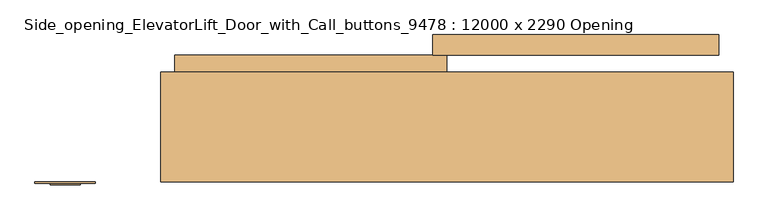
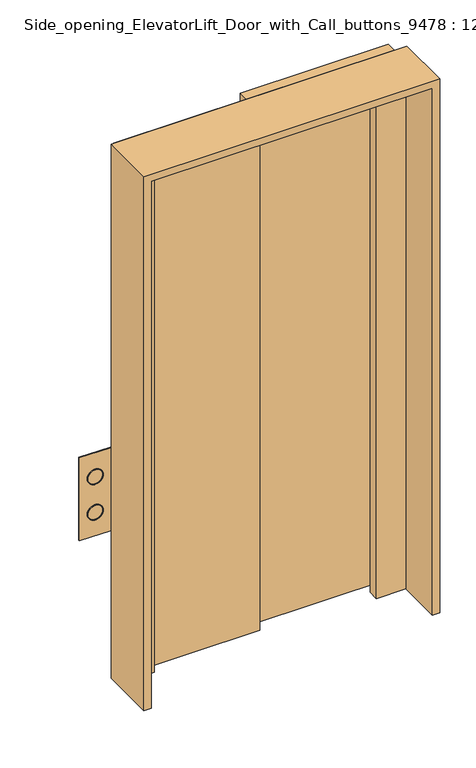
"""IFC4 building model written with IfcOpenShell, lengths in millimetres: door geometry, Side_opening_ElevatorLift_Door_with_Call_buttons_9478 : 12000 x 2290 Opening."""

from ifc_helpers import new_model, si_unit, point, frame, frame_2d, origin, origin_with_axes, place, context, project, spatial, polyline, circle_curve, trimmed, segment, composite_curve, outline, extrude, faceted_brep, source, transform, mapped, element, save
from ifc_brep_helpers import plane_surface, cylinder_surface, revolved_surface, advanced_brep


def side_opening_elevatorlift_door_with_call_buttons_9478_12000_3f8fabd1(model_context):
    return source(origin(), model_context, "Body", "SolidModel", [
        advanced_brep(
        [(-831.75, -103.1875, 1076.2), (-768.25, -103.1875, 1076.2), (-830.1625, -103.1875, 1076.2), (-769.8375, -103.1875, 1076.2), (-736.5, -96.8375, 1177.8), (-736.5, -96.8375, 822.2), (-863.5, -96.8375, 822.2), (-863.5, -96.8375, 1177.8), (-831.75, -100.0125, 1076.2), (-768.25, -100.0125, 1076.2), (-830.1625, -100.0125, 1076.2), (-769.8375, -100.0125, 1076.2), (-736.5, -100.0125, 1177.8), (-863.5, -100.0125, 1177.8), (-863.5, -100.0125, 822.2), (-736.5, -100.0125, 822.2), (-768.25, -100.0125, 923.8), (-831.75, -100.0125, 923.8), (-769.8375, -100.0125, 923.8), (-830.1625, -100.0125, 923.8), (-831.75, -103.1875, 923.8), (-768.25, -103.1875, 923.8), (-830.1625, -103.1875, 923.8), (-769.8375, -103.1875, 923.8)],
        [
            (0, 1, circle_curve(frame((-800.0, -103.1875, 1076.2), z_axis=(0.0, -1.0, 0.0), x_axis=(1.0, 0.0, 0.0)), 31.75)),
            (1, 0, circle_curve(frame((-800.0, -103.1875, 1076.2), z_axis=(0.0, -1.0, 0.0), x_axis=(1.0, 0.0, 0.0)), 31.75)),
            (2, 3, circle_curve(frame((-800.0, -103.1875, 1076.2), z_axis=(0.0, 1.0, 0.0), x_axis=(1.0, 0.0, 0.0)), 30.1625)),
            (3, 2, circle_curve(frame((-800.0, -103.1875, 1076.2), z_axis=(0.0, 1.0, 0.0), x_axis=(1.0, 0.0, 0.0)), 30.1625)),
            (4, 5),
            (5, 6),
            (6, 7),
            (7, 4),
            (0, 8),
            (8, 9, circle_curve(frame((-800.0, -100.0125, 1076.2), z_axis=(0.0, -1.0, 0.0), x_axis=(1.0, 0.0, 0.0)), 31.75)),
            (9, 1),
            (9, 8, circle_curve(frame((-800.0, -100.0125, 1076.2), z_axis=(0.0, -1.0, 0.0), x_axis=(1.0, 0.0, 0.0)), 31.75)),
            (2, 10),
            (10, 11, circle_curve(frame((-800.0, -100.0125, 1076.2), z_axis=(0.0, 1.0, 0.0), x_axis=(1.0, 0.0, 0.0)), 30.1625)),
            (11, 3),
            (11, 10, circle_curve(frame((-800.0, -100.0125, 1076.2), z_axis=(0.0, 1.0, 0.0), x_axis=(1.0, 0.0, 0.0)), 30.1625)),
            (12, 13),
            (13, 14),
            (14, 15),
            (15, 12),
            (16, 17, circle_curve(frame((-800.0, -100.0125, 923.8), z_axis=(0.0, 1.0, 0.0), x_axis=(1.0, 0.0, 0.0)), 31.75)),
            (17, 16, circle_curve(frame((-800.0, -100.0125, 923.8), z_axis=(0.0, 1.0, 0.0), x_axis=(1.0, 0.0, 0.0)), 31.75)),
            (18, 19, circle_curve(frame((-800.0, -100.0125, 923.8), z_axis=(0.0, -1.0, 0.0), x_axis=(1.0, 0.0, 0.0)), 30.1625)),
            (19, 18, circle_curve(frame((-800.0, -100.0125, 923.8), z_axis=(0.0, -1.0, 0.0), x_axis=(1.0, 0.0, 0.0)), 30.1625)),
            (12, 4),
            (7, 13),
            (6, 14),
            (5, 15),
            (20, 21, circle_curve(frame((-800.0, -103.1875, 923.8), z_axis=(0.0, -1.0, 0.0), x_axis=(1.0, 0.0, 0.0)), 31.75)),
            (21, 20, circle_curve(frame((-800.0, -103.1875, 923.8), z_axis=(0.0, -1.0, 0.0), x_axis=(1.0, 0.0, 0.0)), 31.75)),
            (22, 23, circle_curve(frame((-800.0, -103.1875, 923.8), z_axis=(0.0, 1.0, 0.0), x_axis=(1.0, 0.0, 0.0)), 30.1625)),
            (23, 22, circle_curve(frame((-800.0, -103.1875, 923.8), z_axis=(0.0, 1.0, 0.0), x_axis=(1.0, 0.0, 0.0)), 30.1625)),
            (20, 17),
            (16, 21),
            (22, 19),
            (18, 23),
        ],
        [
            plane_surface(frame((-768.25, -103.1875, 1076.2), z_axis=(0.0, -1.0, 0.0), x_axis=(0.0, 0.0, 1.0))),
            plane_surface(frame((-768.25, -96.8375, 1076.2), z_axis=(0.0, 1.0, 0.0), x_axis=(0.0, 0.0, -1.0))),
            cylinder_surface(frame((-800.0, -96.8375, 1076.2), z_axis=(0.0, -1.0, 0.0), x_axis=(1.0, 0.0, 0.0)), 31.75),
            revolved_surface(polyline([(-769.8375, -100.0125, 1076.2), (-769.8375, -103.1875, 1076.2)]), (-800.0, -96.8375, 1076.2), (0.0, 1.0, 0.0)),
            plane_surface(frame((-863.5, -100.0125, 1177.8), z_axis=(0.0, -1.0, 0.0), x_axis=(-1.0, 0.0, 0.0))),
            plane_surface(frame((-736.5, -100.0125, 1177.8), z_axis=(0.0, 0.0, 1.0), x_axis=(0.0, 1.0, 0.0))),
            plane_surface(frame((-863.5, -100.0125, 1177.8), z_axis=(-1.0, 0.0, 0.0), x_axis=(0.0, 1.0, 0.0))),
            plane_surface(frame((-863.5, -100.0125, 822.2), z_axis=(0.0, 0.0, -1.0), x_axis=(0.0, 1.0, 0.0))),
            plane_surface(frame((-736.5, -100.0125, 822.2), z_axis=(1.0, 0.0, 0.0), x_axis=(0.0, 1.0, 0.0))),
            plane_surface(frame((-768.25, -103.1875, 923.8), z_axis=(0.0, -1.0, 0.0), x_axis=(0.0, 0.0, 1.0))),
            cylinder_surface(frame((-800.0, -96.8375, 923.8), z_axis=(0.0, -1.0, 0.0), x_axis=(1.0, 0.0, 0.0)), 31.75),
            revolved_surface(polyline([(-769.8375, -100.0125, 923.8), (-769.8375, -103.1875, 923.8)]), (-800.0, -96.8375, 923.8), (0.0, 1.0, 0.0)),
        ],
        [
            (0, [[1, 2], [3, 4]]),
            (1, [[5, 6, 7, 8]]),
            (2, [[-1, 9, 10, 11]]),
            (2, [[-2, -11, 12, -9]]),
            (3, [[-3, 13, 14, 15]]),
            (3, [[-4, -15, 16, -13]]),
            (4, [[-14, -16]]),
            (4, [[17, 18, 19, 20], [-10, -12], [21, 22]]),
            (4, [[23, 24]]),
            (5, [[-17, 25, -8, 26]]),
            (6, [[-18, -26, -7, 27]]),
            (7, [[-19, -27, -6, 28]]),
            (8, [[-20, -28, -5, -25]]),
            (9, [[29, 30], [31, 32]]),
            (10, [[-29, 33, -21, 34]]),
            (10, [[-30, -34, -22, -33]]),
            (11, [[-31, 35, -23, 36]]),
            (11, [[-32, -36, -24, -35]]),
        ],
    ),
        extrude(outline(composite_curve([segment(trimmed(circle_curve(frame_2d((1076.2, -800.0)), 30.1625), [point((1076.2, -830.1625))], [point((1076.2, -769.8375))], False, "CARTESIAN"), True, "CONTINUOUS"), segment(trimmed(circle_curve(frame_2d((1076.2, -800.0)), 30.1625), [point((1076.2, -769.8375))], [point((1076.2, -830.1625))], False, "CARTESIAN"), True, "CONTINUOUS")], self_intersect=False)), frame((0.0, -101.6, 0.0), z_axis=(0.0, 1.0, 0.0), x_axis=(0.0, 0.0, 1.0)), (0.0, 0.0, 1.0), 4.7625),
        extrude(outline(composite_curve([segment(trimmed(circle_curve(frame_2d((923.8, -800.0)), 30.1625), [point((923.8, -830.1625))], [point((923.8, -769.8375))], False, "CARTESIAN"), True, "CONTINUOUS"), segment(trimmed(circle_curve(frame_2d((923.8, -800.0)), 30.1625), [point((923.8, -769.8375))], [point((923.8, -830.1625))], False, "CARTESIAN"), True, "CONTINUOUS")], self_intersect=False)), frame((0.0, -101.6, 0.0), z_axis=(0.0, 1.0, 0.0), x_axis=(0.0, 0.0, 1.0)), (0.0, 0.0, 1.0), 4.7625),
        faceted_brep([(-600.0, -96.8375, 0.0), (-600.0, 133.1625, 0.0), (-450.0, 133.1625, 0.0), (-450.0, 88.1625, 0.0), (-570.0, 88.1625, 0.0), (-570.0, -96.8375, 0.0), (-600.0, -96.8375, 2290.0), (-600.0, 133.1625, 2290.0), (600.0, 133.1625, 2290.0), (600.0, 133.1625, 0.0), (450.0, 133.1625, 0.0), (450.0, 133.1625, 2140.0), (-450.0, 133.1625, 2140.0), (-450.0, 88.1625, 2140.0), (450.0, 88.1625, 2140.0), (450.0, 88.1625, 0.0), (570.0, 88.1625, 0.0), (570.0, 88.1625, 2260.0), (-570.0, 88.1625, 2260.0), (-570.0, -96.8375, 2260.0), (570.0, -96.8375, 2260.0), (570.0, -96.8375, 0.0), (600.0, -96.8375, 0.0), (600.0, -96.8375, 2290.0)], [[[0, 1, 2, 3, 4, 5]], [[1, 0, 6, 7]], [[2, 1, 7, 8, 9, 10, 11, 12]], [[3, 2, 12, 13]], [[4, 3, 13, 14, 15, 16, 17, 18]], [[5, 4, 18, 19]], [[0, 5, 19, 20, 21, 22, 23, 6]], [[8, 23, 22, 9]], [[22, 21, 16, 15, 10, 9]], [[14, 11, 10, 15]], [[20, 17, 16, 21]], [[7, 6, 23, 8]], [[13, 12, 11, 14]], [[19, 18, 17, 20]]]),
        extrude(outline(polyline([(570.0, 211.8375), (570.0, 169.3375), (-30.0, 169.3375), (-30.0, 211.8375), (570.0, 211.8375)])), origin_with_axes(), (0.0, 0.0, 1.0), 2260.0),
        extrude(outline(polyline([(0.0, 169.3375), (0.0, 126.8375), (-570.0, 126.8375), (-570.0, 169.3375), (0.0, 169.3375)])), origin_with_axes(), (0.0, 0.0, 1.0), 2260.0),
    ])


if __name__ == "__main__":
    model = new_model("IFC4")
    model_context = context("Model", 3, world=origin())
    ifc_project = project(units=[si_unit("LENGTHUNIT", "METRE", prefix="MILLI")], contexts=[model_context])
    site = spatial("IfcSite", under=ifc_project)
    building = spatial("IfcBuilding", under=site)
    placement = place(None, origin())
    side_opening_elevatorlift_door_with_call_buttons_9478_12000_shape = side_opening_elevatorlift_door_with_call_buttons_9478_12000_3f8fabd1(model_context)
    element("IfcDoor", 1, ObjectType="Side_opening_ElevatorLift_Door_with_Call_buttons_9478 : 12000 x 2290 Opening", at=placement, inside=building, context=model_context, shape_type="MappedRepresentation", body=[
        mapped(side_opening_elevatorlift_door_with_call_buttons_9478_12000_shape, transform((0.0, 0.0, 0.0), x_axis=(1.0, 0.0, 0.0), y_axis=(0.0, 1.0, 0.0), z_axis=(0.0, 0.0, 1.0))),
    ])
    save(model, "model.ifc")
